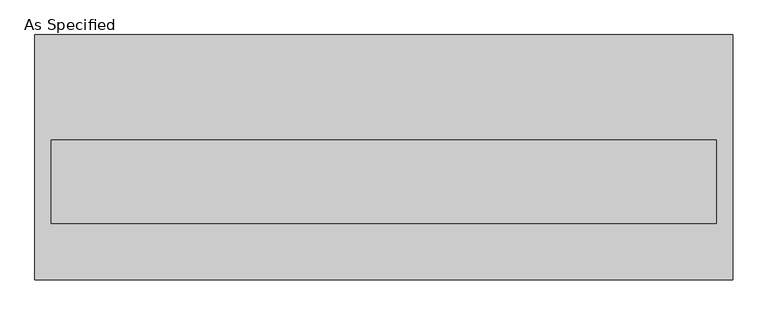
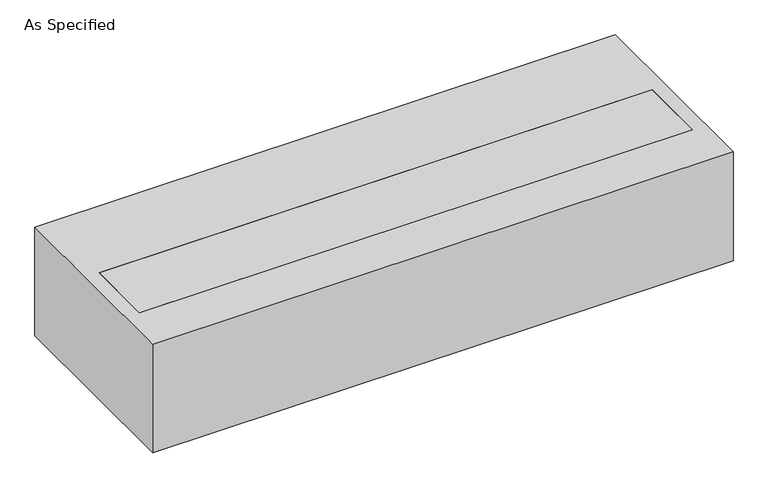
"""IFC4 building model written with IfcOpenShell, lengths in millimetres: proxy geometry, As Specified."""

from ifc_helpers import new_model, si_unit, frame, origin, place, context, project, spatial, polyline, outline, extrude, faceted_brep, source, transform, mapped, element, save


def as_specified_6568c7f8(model_context):
    return source(origin(), model_context, "Body", "SolidModel", [
        faceted_brep([(-1273.175, 447.675, -25.4), (-1273.175, 447.675, -530.225), (-1273.175, -447.675, -530.225), (-1273.175, -447.675, -25.4), (-1212.85, 63.5, -25.4), (-1212.85, -241.3, -25.4), (-1212.85, -241.3, -373.0625), (-1212.85, 63.5, -373.0625), (1273.175, 447.675, -25.4), (1273.175, -447.675, -25.4), (1212.85, 63.5, -25.4), (1212.85, -241.3, -25.4), (1273.175, -447.675, -530.225), (1273.175, 447.675, -530.225), (1212.85, 63.5, -373.0625), (1212.85, -241.3, -373.0625)], [[[0, 1, 2, 3]], [[4, 5, 6, 7]], [[8, 0, 3, 9], [5, 4, 10, 11]], [[8, 9, 12, 13]], [[12, 9, 3, 2]], [[13, 12, 2, 1]], [[8, 13, 1, 0]], [[4, 7, 14, 10]], [[7, 6, 15, 14]], [[6, 5, 11, 15]], [[11, 10, 14, 15]]]),
        extrude(outline(polyline([(1212.85, 63.5), (1212.85, -241.3), (-1212.85, -241.3), (-1212.85, 63.5), (1212.85, 63.5)])), frame((0.0, 0.0, -373.0625), z_axis=(0.0, 0.0, 1.0), x_axis=(1.0, 0.0, 0.0)), (0.0, 0.0, 1.0), 347.6625),
    ])


if __name__ == "__main__":
    model = new_model("IFC4")
    model_context = context("Model", 3, world=origin())
    ifc_project = project(units=[si_unit("LENGTHUNIT", "METRE", prefix="MILLI")], contexts=[model_context])
    site = spatial("IfcSite", under=ifc_project)
    building = spatial("IfcBuilding", under=site)
    placement = place(None, origin())
    as_specified_shape = as_specified_6568c7f8(model_context)
    element("IfcBuildingElementProxy", 1, Name="As Specified", ObjectType="As Specified", at=placement, inside=building, context=model_context, shape_type="MappedRepresentation", body=[
        mapped(as_specified_shape, transform((0.0, 0.0, 0.0), x_axis=(1.0, 0.0, 0.0), y_axis=(0.0, 1.0, 0.0), z_axis=(0.0, 0.0, 1.0))),
    ])
    save(model, "model.ifc")
